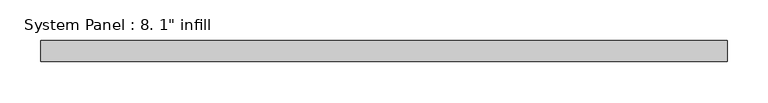
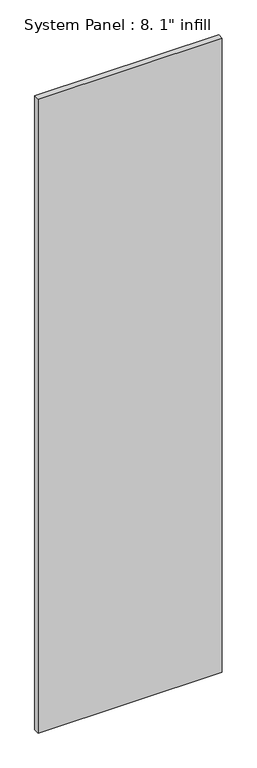
"""IFC4 building model written with IfcOpenShell, lengths in millimetres: plate geometry."""

from ifc_helpers import new_model, si_unit, origin, origin_with_axes, place, context, project, spatial, polyline, outline, extrude, source, transform, mapped, element, save


def plate_514496c0(model_context):
    return source(origin(), model_context, "Body", "SweptSolid", [
        extrude(outline(polyline([(419.1, -25.4), (-419.1, -25.4), (-419.1, 0.0), (419.1, 0.0), (419.1, -25.4)])), origin_with_axes(), (0.0, 0.0, 1.0), 3048.0),
    ])


if __name__ == "__main__":
    model = new_model("IFC4")
    model_context = context("Model", 3, world=origin())
    ifc_project = project(units=[si_unit("LENGTHUNIT", "METRE", prefix="MILLI")], contexts=[model_context])
    site = spatial("IfcSite", under=ifc_project)
    building = spatial("IfcBuilding", under=site)
    placement = place(None, origin())
    plate_shape = plate_514496c0(model_context)
    element("IfcPlate", 1, ObjectType="System Panel : 8. 1\" infill", at=placement, inside=building, context=model_context, shape_type="MappedRepresentation", body=[
        mapped(plate_shape, transform((0.0, 0.0, 0.0), x_axis=(1.0, 0.0, 0.0), y_axis=(0.0, 1.0, 0.0), z_axis=(0.0, 0.0, 1.0))),
    ])
    save(model, "model.ifc")
